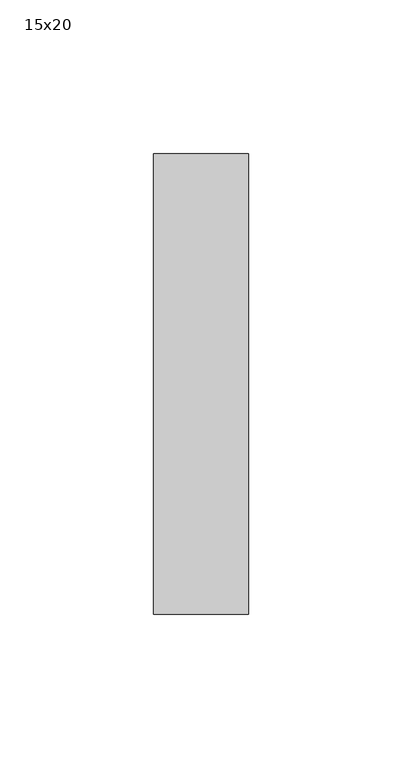
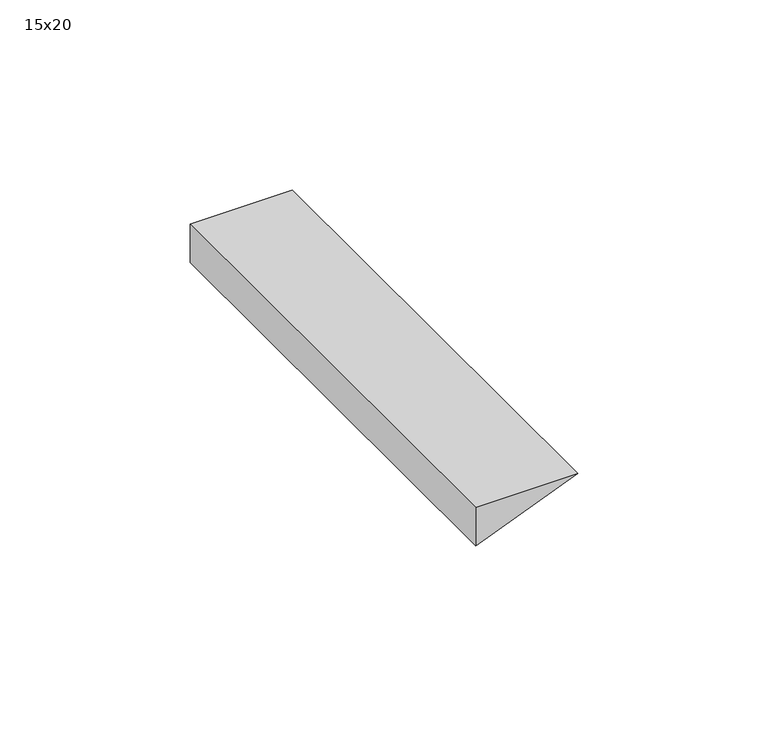
"""IFC4 building model written with IfcOpenShell, lengths in millimetres: beam geometry, 15x20."""

from ifc_helpers import new_model, si_unit, frame, origin, place, context, project, spatial, polyline, outline, extrude, source, transform, mapped, element, save


def beam_15x20_d2a3a8a2(model_context):
    return source(origin(), model_context, "Body", "SweptSolid", [
        extrude(outline(polyline([(100.0, 107.5), (87.654321, 107.5), (100.0, 138.5), (100.0, 107.5)])), frame((0.0, -75.0, 0.0), z_axis=(0.0, 1.0, 0.0), x_axis=(0.0, 0.0, 1.0)), (0.0, 0.0, 1.0), 150.0),
    ])


if __name__ == "__main__":
    model = new_model("IFC4")
    model_context = context("Model", 3, world=origin())
    ifc_project = project(units=[si_unit("LENGTHUNIT", "METRE", prefix="MILLI")], contexts=[model_context])
    site = spatial("IfcSite", under=ifc_project)
    building = spatial("IfcBuilding", under=site)
    placement = place(None, origin())
    beam_15x20_shape = beam_15x20_d2a3a8a2(model_context)
    element("IfcBeam", 1, ObjectType="15x20", at=placement, inside=building, context=model_context, shape_type="MappedRepresentation", body=[
        mapped(beam_15x20_shape, transform((0.0, 0.0, 0.0), x_axis=(1.0, 0.0, 0.0), y_axis=(0.0, 1.0, 0.0), z_axis=(0.0, 0.0, 1.0))),
    ])
    save(model, "model.ifc")
